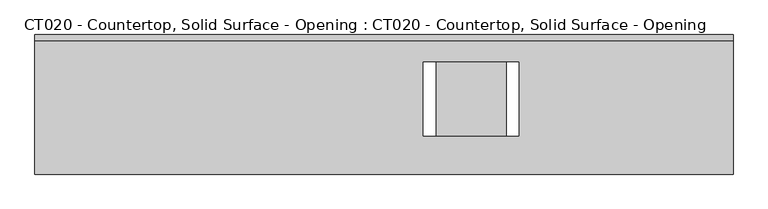
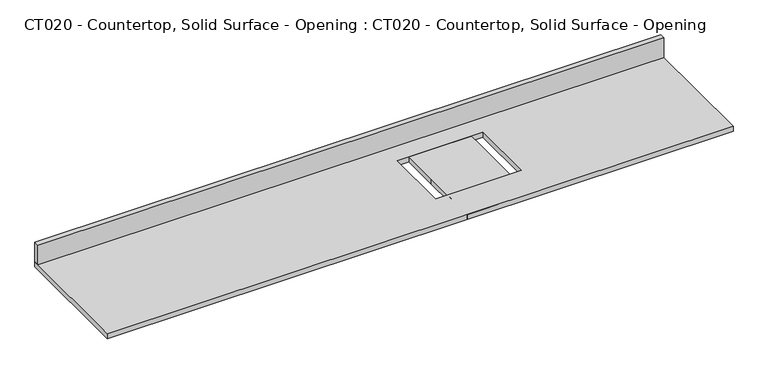
"""IFC4 building model written with IfcOpenShell, lengths in millimetres: proxy geometry, CT020 - Countertop, Solid Surface - Opening : CT020 - Countertop, Solid Surface - Opening."""

from ifc_helpers import new_model, si_unit, frame, origin, origin_with_axes, place, context, project, spatial, polyline, outline, extrude, source, transform, mapped, element, save


def ct020_countertop_solid_surface_opening_ct020_countertop_60cc535a(model_context):
    return source(origin(), model_context, "Body", "SweptSolid", [
        extrude(outline(polyline([(1143.0, 304.8), (1143.0, -304.8), (-1905.0, -304.8), (-1905.0, 304.8), (1143.0, 304.8)]), holes=[polyline([(206.6462289, 184.9941703), (-209.1886858, 184.9941703), (-209.1886858, -138.1125), (206.6462289, -138.1125), (206.6462289, 184.9941703)])]), origin_with_axes(), (0.0, 0.0, 1.0), 25.4),
        extrude(outline(polyline([(-1905.0, 279.4), (-1905.0, 304.8), (1143.0, 304.8), (1143.0, 279.4), (-1905.0, 279.4)])), frame((0.0, 0.0, 25.4), z_axis=(0.0, 0.0, 1.0), x_axis=(1.0, 0.0, 0.0)), (0.0, 0.0, 1.0), 101.6),
        extrude(outline(polyline([(-152.4, 304.8), (152.4, 304.8), (152.4, -304.8), (-152.4, -304.8), (-152.4, 0.0), (-152.4, 304.8)])), origin_with_axes(), (0.0, 0.0, 1.0), 25.4),
    ])


if __name__ == "__main__":
    model = new_model("IFC4")
    model_context = context("Model", 3, world=origin())
    ifc_project = project(units=[si_unit("LENGTHUNIT", "METRE", prefix="MILLI")], contexts=[model_context])
    site = spatial("IfcSite", under=ifc_project)
    building = spatial("IfcBuilding", under=site)
    placement = place(None, origin())
    ct020_countertop_solid_surface_opening_ct020_countertop_shape = ct020_countertop_solid_surface_opening_ct020_countertop_60cc535a(model_context)
    element("IfcBuildingElementProxy", 1, Name="CT020 - Countertop, Solid Surface - Opening : CT020 - Countertop, Solid Surface - Opening", ObjectType="CT020 - Countertop, Solid Surface - Opening : CT020 - Countertop, Solid Surface - Opening", at=placement, inside=building, context=model_context, shape_type="MappedRepresentation", body=[
        mapped(ct020_countertop_solid_surface_opening_ct020_countertop_shape, transform((0.0, 0.0, 0.0), x_axis=(1.0, 0.0, 0.0), y_axis=(0.0, 1.0, 0.0), z_axis=(0.0, 0.0, 1.0))),
    ])
    save(model, "model.ifc")
